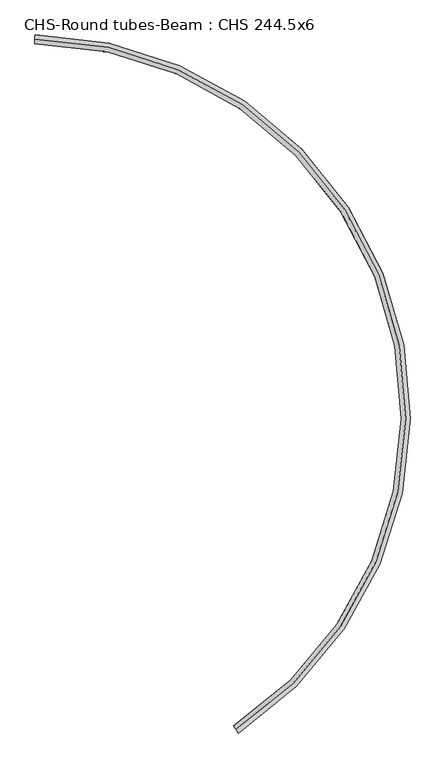
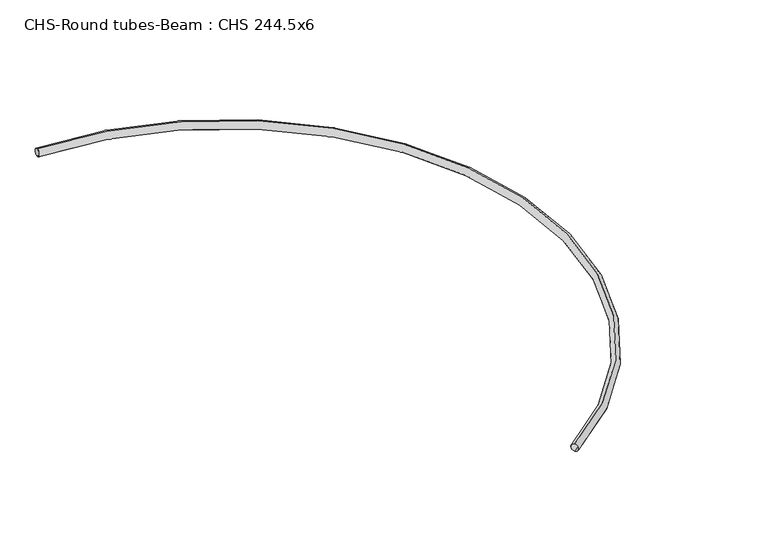
"""IFC4 building model written with IfcOpenShell, lengths in millimetres: beam geometry, CHS-Round tubes-Beam : CHS 244.5x6."""

from ifc_helpers import new_model, si_unit, point, frame, origin, place, context, project, spatial, circle_curve, ellipse_curve, trimmed, source, transform, mapped, element, save
from ifc_brep_helpers import plane_surface, revolved_surface, advanced_brep


def chs_round_tubes_beam_chs_244_5x6_19788930(model_context):
    return source(origin(), model_context, "Body", "AdvancedBrep", [
        advanced_brep(
        [(5717.2663997, -19172.9696422, 122.25), (5717.2663997, -19172.9696422, -122.25), (5717.2663997, -19172.9696422, 116.25), (5717.2663997, -19172.9696422, -116.25), (125.3849512, -0.7530456, 122.25), (125.3849512, -0.7530456, -122.25), (125.3849512, -0.7530456, 116.25), (125.3849512, -0.7530456, -116.25)],
        [
            (0, 1, circle_curve(frame((5717.2663997, -19172.9696422, 0.0), z_axis=(-0.8366826887887824, -0.5476879387764291, 0.0), x_axis=(0.0, 0.0, -1.0)), 122.25)),
            (1, 0, circle_curve(frame((5717.2663997, -19172.9696422, 0.0), z_axis=(-0.8366826887887824, -0.5476879387764291, 0.0), x_axis=(0.0, 0.0, -1.0)), 122.25)),
            (2, 3, circle_curve(frame((5717.2663997, -19172.9696422, 0.0), z_axis=(0.8366826887887824, 0.5476879387764291, 0.0), x_axis=(0.0, 0.0, -1.0)), 116.25)),
            (3, 2, circle_curve(frame((5717.2663997, -19172.9696422, 0.0), z_axis=(0.8366826887887824, 0.5476879387764291, 0.0), x_axis=(0.0, 0.0, -1.0)), 116.25)),
            (4, 5, circle_curve(frame((125.3849512, -0.7530456, 0.0), z_axis=(-0.9999278616846612, 0.012011304123249116, 0.0), x_axis=(0.0, 0.0, -1.0)), 122.25)),
            (5, 4, circle_curve(frame((125.3849512, -0.7530456, 0.0), z_axis=(-0.9999278616846612, 0.012011304123249156, 0.0), x_axis=(0.0, 0.0, -1.0)), 122.25)),
            (6, 7, circle_curve(frame((125.3849512, -0.7530456, 0.0), z_axis=(0.9999278616846612, -0.012011304123249116, 0.0), x_axis=(0.0, 0.0, -1.0)), 116.25)),
            (7, 6, circle_curve(frame((125.3849512, -0.7530456, 0.0), z_axis=(0.9999278616846612, -0.012011304123249153, 0.0), x_axis=(0.0, 0.0, -1.0)), 116.25)),
            (0, 4, circle_curve(frame((0.0, -10438.9123713, 122.25), z_axis=(0.0, 0.0, 1.0), x_axis=(0.0, 1.0, 0.0)), 10438.9123713)),
            (5, 1, circle_curve(frame((0.0, -10438.9123713, -122.25), z_axis=(0.0, 0.0, -1.0), x_axis=(0.0, 1.0, 0.0)), 10438.9123713)),
            (2, 6, circle_curve(frame((0.0, -10438.9123713, 116.25), z_axis=(0.0, 0.0, 1.0), x_axis=(0.0, 1.0, 0.0)), 10438.9123713)),
            (7, 3, circle_curve(frame((0.0, -10438.9123713, -116.25), z_axis=(0.0, 0.0, -1.0), x_axis=(0.0, 1.0, 0.0)), 10438.9123713)),
        ],
        [
            plane_surface(frame((5717.2663997, -19172.9696422, 0.0), z_axis=(-0.8366826887887822, -0.5476879387764294, 0.0), x_axis=(-0.5476879387764294, 0.8366826887887822, 0.0))),
            plane_surface(frame((125.3849512, -0.7530456, 0.0), z_axis=(-0.9999278616846612, 0.012011304123249179, 0.0), x_axis=(-0.012011304123249179, -0.9999278616846612, 0.0))),
            revolved_surface(trimmed(ellipse_curve(frame((0.0, 0.0, 0.0), z_axis=(-1.0, 0.0, 0.0), x_axis=(0.0, 0.0, -1.0)), 122.25, 122.25), [point((0.0, 0.0, -122.25))], [point((0.0, 0.0, 122.25))], True, "CARTESIAN"), (0.0, -10438.9123713, 0.0), (0.0, 0.0, -1.0)),
            revolved_surface(trimmed(ellipse_curve(frame((0.0, 0.0, 0.0), z_axis=(-1.0, 0.0, 0.0), x_axis=(0.0, 0.0, -1.0)), 122.25, 122.25), [point((0.0, 0.0, 122.25))], [point((0.0, 0.0, -122.25))], True, "CARTESIAN"), (0.0, -10438.9123713, 0.0), (0.0, 0.0, -1.0)),
            revolved_surface(trimmed(ellipse_curve(frame((0.0, 0.0, 0.0), z_axis=(1.0, 0.0, 0.0), x_axis=(0.0, 0.0, -1.0)), 116.25, 116.25), [point((0.0, 0.0, -116.25))], [point((0.0, 0.0, 116.25))], True, "CARTESIAN"), (0.0, -10438.9123713, 0.0), (0.0, 0.0, -1.0)),
            revolved_surface(trimmed(ellipse_curve(frame((0.0, 0.0, 0.0), z_axis=(1.0, 0.0, 0.0), x_axis=(0.0, 0.0, -1.0)), 116.25, 116.25), [point((0.0, 0.0, 116.25))], [point((0.0, 0.0, -116.25))], True, "CARTESIAN"), (0.0, -10438.9123713, 0.0), (0.0, 0.0, -1.0)),
        ],
        [
            (0, [[1, 2], [3, 4]]),
            (1, [[5, 6], [7, 8]]),
            (2, [[-1, 9, -6, 10]]),
            (3, [[-2, -10, -5, -9]]),
            (4, [[-3, 11, -8, 12]]),
            (5, [[-4, -12, -7, -11]]),
        ],
    ),
    ])


if __name__ == "__main__":
    model = new_model("IFC4")
    model_context = context("Model", 3, world=origin())
    ifc_project = project(units=[si_unit("LENGTHUNIT", "METRE", prefix="MILLI")], contexts=[model_context])
    site = spatial("IfcSite", under=ifc_project)
    building = spatial("IfcBuilding", under=site)
    placement = place(None, origin())
    chs_round_tubes_beam_chs_244_5x6_shape = chs_round_tubes_beam_chs_244_5x6_19788930(model_context)
    element("IfcBeam", 1, ObjectType="CHS-Round tubes-Beam : CHS 244.5x6", at=placement, inside=building, context=model_context, shape_type="MappedRepresentation", body=[
        mapped(chs_round_tubes_beam_chs_244_5x6_shape, transform((0.0, 0.0, 0.0), x_axis=(1.0, 0.0, 0.0), y_axis=(0.0, 1.0, 0.0), z_axis=(0.0, 0.0, 1.0))),
    ])
    save(model, "model.ifc")
